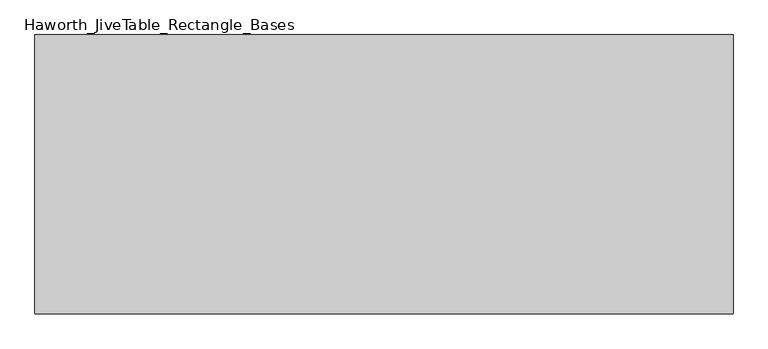
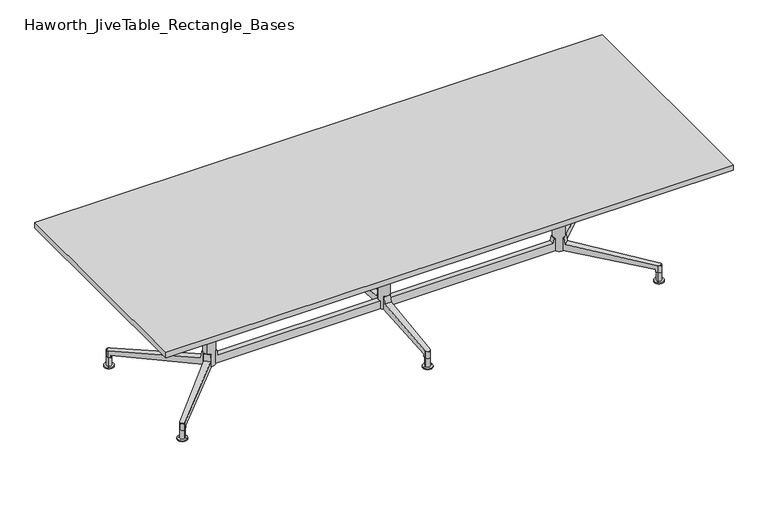
"""IFC4 building model written with IfcOpenShell, lengths in millimetres: furniture geometry, Haworth_JiveTable_Rectangle_Bases."""

from ifc_helpers import new_model, si_unit, point, frame, frame_2d, origin, place, context, project, spatial, polyline, circle_curve, ellipse_curve, trimmed, segment, composite_curve, outline, extrude, source, transform, mapped, element, save
from ifc_brep_helpers import plane_surface, cylinder_surface, revolved_surface, advanced_brep


def haworth_jivetable_rectangle_bases_7add0098(model_context):
    return source(origin(), model_context, "Body", "SolidModel", [
        advanced_brep(
        [(-16.7073957, -25.447928, 173.0375), (-16.6491532, -31.2005255, 173.0375), (16.6385777, -31.5633725, 173.0375), (16.7073957, -25.2499854, 173.0375), (16.7073957, -25.2499854, 101.0421222), (-16.7073957, -25.447928, 100.9940325), (16.5823841, -36.7186037, 136.3947533), (12.5508592, -406.5724065, 93.1247093), (12.5508592, -406.5724065, 55.5625), (12.6856306, -394.2084172, 55.5625), (12.6856306, -394.2084172, 69.4767965), (-12.8456761, -406.869043, 93.057626), (-12.8456761, -406.869043, 55.5625), (-12.9766914, -393.9286897, 69.4767965), (-12.9766914, -393.9286897, 55.5625), (-16.5969468, -36.3569384, 136.3947533)],
        [
            (0, 1),
            (1, 2),
            (2, 3),
            (3, 0, circle_curve(frame((-0.1491408, -0.1724065, 173.0375), z_axis=(0.0, 0.0, -1.0), x_axis=(0.0, -1.0, 0.0)), 30.2163497)),
            (3, 4),
            (4, 5, ellipse_curve(frame((-0.1491408, -0.1724065, 103.1715999), z_axis=(0.0009290457891332453, 0.08523105442928064, -0.996360780156864), x_axis=(-0.010860006437938038, -0.9963015931408336, -0.0852361177272004)), 30.3267153, 30.2163497)),
            (5, 0),
            (2, 6),
            (6, 7),
            (7, 8),
            (8, 9),
            (9, 10),
            (10, 4),
            (11, 12),
            (12, 8, circle_curve(frame((-0.1491408, -406.5724065, 55.5625), z_axis=(0.0, 0.0, 1.0), x_axis=(0.0, -1.0, 0.0)), 12.7)),
            (7, 11, ellipse_curve(frame((-0.1491408, -406.5724065, 93.1085155), z_axis=(0.0012664652459514001, 0.11618605839780673, -0.9932266588748826), x_axis=(0.010825845541627169, 0.9931676580356771, 0.11619296063117332)), 12.7866081, 12.7)),
            (5, 13),
            (13, 14),
            (14, 12),
            (11, 15),
            (15, 1),
            (6, 15),
            (10, 13),
            (9, 14),
        ],
        [
            plane_surface(frame((-0.1491408, -30.3887562, 173.0375), z_axis=(0.0, 0.0, 1.0), x_axis=(1.0, 0.0, 0.0))),
            revolved_surface(polyline([(-0.1491408, -30.3887562, 100.58666842440991), (-0.1491408, -30.3887562, 173.0375)]), (-0.1491408, -0.1724065, 30.1625), (0.0, 0.0, -1.0)),
            plane_surface(frame((16.7073957, -25.2499854, 173.0375), z_axis=(0.9999405968026749, -0.01089967274326892, 0.0), x_axis=(0.0, 0.0, -1.0))),
            cylinder_surface(frame((-0.1491408, -406.5724065, 30.1625), z_axis=(0.0, 0.0, 1.0), x_axis=(0.0, -1.0, 0.0)), 12.7),
            plane_surface(frame((-12.8456761, -406.869043, 173.0375), z_axis=(-0.9999487506184027, -0.010124037568851664, 0.0), x_axis=(0.0, 0.0, -1.0))),
            plane_surface(frame((-27.8751459, -437.8836362, 89.4104246), z_axis=(-0.0012664652459514001, -0.11618605839780673, 0.9932266588748826), x_axis=(0.9999405968026749, -0.010899672743269475, 0.0))),
            plane_surface(frame((-23.4975564, -36.2817196, 136.3947533), z_axis=(-0.010793364922149567, -0.9901878722393549, 0.13932509086218653), x_axis=(0.9999405968026749, -0.010899672743269475, 0.0))),
            plane_surface(frame((-23.0585847, 0.2735853, 103.1883894), z_axis=(0.0009290457891332453, 0.08523105442928064, -0.996360780156864), x_axis=(0.9999405968026749, -0.01089967274326903, 0.0))),
            plane_surface(frame((-27.3538075, -393.7719745, 69.4767965), z_axis=(0.01089967274326903, 0.9999405968026749, 0.0), x_axis=(0.9999405968026749, -0.01089967274326903, 0.0))),
            plane_surface(frame((-27.3538075, -393.7719745, 55.5625), z_axis=(0.0, 0.0, -1.0), x_axis=(0.9999405968026749, -0.01089967274326903, 0.0))),
        ],
        [
            (0, [[1, 2, 3, 4]]),
            (1, [[5, 6, 7, -4]]),
            (2, [[8, 9, 10, 11, 12, 13, -5, -3]]),
            (3, [[14, 15, -10, 16]]),
            (4, [[-7, 17, 18, 19, -14, 20, 21, -1]]),
            (5, [[-20, -16, -9, 22]]),
            (6, [[-8, -2, -21, -22]]),
            (7, [[-17, -6, -13, 23]]),
            (8, [[-12, 24, -18, -23]]),
            (9, [[-11, -15, -19, -24]]),
        ],
    ),
        advanced_brep(
        [(-16.7073957, 25.103115, 173.0375), (16.7073957, 24.9051725, 173.0375), (16.6385777, 31.2185595, 173.0375), (-16.6491532, 30.8557126, 173.0375), (-16.7073957, 25.103115, 100.9940325), (16.7073957, 24.9051725, 101.0421222), (12.6856306, 393.8636043, 69.4767965), (12.6856306, 393.8636043, 55.5625), (12.5508592, 406.2275935, 55.5625), (12.5508592, 406.2275935, 93.1247093), (16.5823841, 36.3737908, 136.3947533), (-12.8456761, 406.5242301, 93.057626), (-12.8456761, 406.5242301, 55.5625), (-16.5969468, 36.0121255, 136.3947533), (-12.9766914, 393.5838768, 55.5625), (-12.9766914, 393.5838768, 69.4767965)],
        [
            (0, 1, circle_curve(frame((-0.1491408, -0.1724065, 173.0375), z_axis=(0.0, 0.0, -1.0), x_axis=(0.0, 1.0, 0.0)), 30.2163497)),
            (1, 2),
            (2, 3),
            (3, 0),
            (0, 4),
            (4, 5, ellipse_curve(frame((-0.1491408, -0.1724065, 103.1715999), z_axis=(0.0009290457891426609, -0.08523105442928054, -0.996360780156864), x_axis=(-0.010860006438048103, 0.9963015931408323, -0.0852361177272004)), 30.3267153, 30.2163497)),
            (5, 1),
            (5, 6),
            (6, 7),
            (7, 8),
            (8, 9),
            (9, 10),
            (10, 2),
            (11, 9, ellipse_curve(frame((-0.1491408, 406.2275935, 93.1085155), z_axis=(0.0012664652459642423, -0.11618605839780663, -0.9932266588748825), x_axis=(0.010825845541736937, -0.9931676580356757, 0.11619296063117518)), 12.7866081, 12.7)),
            (8, 12, circle_curve(frame((-0.1491408, 406.2275935, 55.5625), z_axis=(0.0, 0.0, 1.0), x_axis=(0.0, 1.0, 0.0)), 12.7)),
            (12, 11),
            (3, 13),
            (13, 11),
            (12, 14),
            (14, 15),
            (15, 4),
            (13, 10),
            (15, 6),
            (14, 7),
        ],
        [
            plane_surface(frame((-0.1491408, 30.0439432, 173.0375), z_axis=(0.0, 0.0, 1.0), x_axis=(1.0, 0.0, 0.0))),
            revolved_surface(polyline([(-0.1491408, 30.043943199999998, 100.58666842440991), (-0.1491408, 30.043943199999998, 173.0375)]), (-0.1491408, -0.1724065, 30.1625), (0.0, 0.0, -1.0)),
            plane_surface(frame((16.7073957, 24.9051725, 173.0375), z_axis=(0.9999405968026737, 0.010899672743379331, 0.0), x_axis=(0.0, 0.0, -1.0))),
            cylinder_surface(frame((-0.1491408, 406.2275935, 30.1625), z_axis=(0.0, 0.0, 1.0), x_axis=(0.0, 1.0, 0.0)), 12.7),
            plane_surface(frame((-12.8456761, 406.5242301, 173.0375), z_axis=(-0.9999487506184038, 0.010124037568741086, 0.0), x_axis=(0.0, 0.0, -1.0))),
            plane_surface(frame((-27.8751459, 437.5388233, 89.4104246), z_axis=(-0.0012664652459642423, 0.11618605839780663, 0.9932266588748825), x_axis=(0.9999405968026737, 0.010899672743379996, 0.0))),
            plane_surface(frame((-23.4975564, 35.9369066, 136.3947533), z_axis=(-0.010793364922259008, 0.9901878722393537, 0.13932509086218653), x_axis=(0.9999405968026737, 0.010899672743379996, 0.0))),
            plane_surface(frame((-23.0585847, -0.6183982, 103.1883894), z_axis=(0.0009290457891426609, -0.08523105442928054, -0.996360780156864), x_axis=(0.9999405968026737, 0.010899672743379496, 0.0))),
            plane_surface(frame((-27.3538075, 393.4271616, 69.4767965), z_axis=(0.010899672743379496, -0.9999405968026737, 0.0), x_axis=(0.9999405968026737, 0.010899672743379496, 0.0))),
            plane_surface(frame((-27.3538075, 393.4271616, 55.5625), z_axis=(0.0, 0.0, -1.0), x_axis=(0.9999405968026737, 0.010899672743379496, 0.0))),
        ],
        [
            (0, [[1, 2, 3, 4]]),
            (1, [[-1, 5, 6, 7]]),
            (2, [[-2, -7, 8, 9, 10, 11, 12, 13]]),
            (3, [[14, -11, 15, 16]]),
            (4, [[-4, 17, 18, -16, 19, 20, 21, -5]]),
            (5, [[22, -12, -14, -18]]),
            (6, [[-22, -17, -3, -13]]),
            (7, [[23, -8, -6, -21]]),
            (8, [[-23, -20, 24, -9]]),
            (9, [[-24, -19, -15, -10]]),
        ],
    ),
        extrude(outline(composite_curve([segment(trimmed(circle_curve(frame_2d((-143.4622581, -143.353964)), 8.9802561), [point((-143.4622581, -152.3342201))], [point((-152.4425142, -143.353964))], False, "CARTESIAN"), True, "CONTINUOUS"), segment(polyline([(-152.4425142, -143.353964), (-152.4425142, 143.4855237)]), True, "CONTINUOUS"), segment(trimmed(circle_curve(frame_2d((-143.4622581, 143.4855237)), 8.9802561), [point((-152.4425142, 143.4855237))], [point((-143.4622581, 152.4657799))], False, "CARTESIAN"), True, "CONTINUOUS"), segment(polyline([(-143.4622581, 152.4657799), (143.3772296, 152.4657799)]), True, "CONTINUOUS"), segment(trimmed(circle_curve(frame_2d((143.3772296, 143.4855237)), 8.9802561), [point((143.3772296, 152.4657799))], [point((152.3574858, 143.4855237))], False, "CARTESIAN"), True, "CONTINUOUS"), segment(polyline([(152.3574858, 143.4855237), (152.3574858, -143.353964)]), True, "CONTINUOUS"), segment(trimmed(circle_curve(frame_2d((143.3772296, -143.353964)), 8.9802561), [point((152.3574858, -143.353964))], [point((143.3772296, -152.3342201))], False, "CARTESIAN"), True, "CONTINUOUS"), segment(polyline([(143.3772296, -152.3342201), (-143.4622581, -152.3342201)]), True, "CONTINUOUS")], self_intersect=False)), frame((0.0, 0.0, 700.0875), z_axis=(0.0, 0.0, 1.0), x_axis=(1.0, 0.0, 0.0)), (0.0, 0.0, 1.0), 6.35),
        advanced_brep(
        [(0.0, -406.4, 92.075), (-12.7, -406.4, 92.075), (12.7, -406.4, 92.075), (-25.4, -406.4, 0.0), (0.0, -406.4, 0.0), (25.4, -406.4, 0.0), (-25.4, -406.4, 4.7625), (25.4, -406.4, 4.7625), (-12.7, -406.4, 4.7625), (12.7, -406.4, 4.7625)],
        [
            (0, 1),
            (1, 2, circle_curve(frame((0.0, -406.4, 92.075), z_axis=(0.0, 0.0, 1.0), x_axis=(0.9999999999999998, 0.0, 0.0)), 12.7)),
            (2, 0),
            (2, 1, circle_curve(frame((0.0, -406.4, 92.075), z_axis=(0.0, 0.0, 1.0), x_axis=(0.9999999999999998, 0.0, 0.0)), 12.7)),
            (3, 4),
            (4, 5),
            (5, 3, circle_curve(frame((0.0, -406.4, 0.0), z_axis=(0.0, 0.0, -1.0), x_axis=(0.9999999999999998, 0.0, 0.0)), 25.4)),
            (3, 5, circle_curve(frame((0.0, -406.4, 0.0), z_axis=(0.0, 0.0, -1.0), x_axis=(0.9999999999999998, 0.0, 0.0)), 25.4)),
            (6, 3),
            (5, 7),
            (7, 6, circle_curve(frame((0.0, -406.4, 4.7625), z_axis=(0.0, 0.0, -1.0), x_axis=(0.9999999999999998, 0.0, 0.0)), 25.4)),
            (6, 7, circle_curve(frame((0.0, -406.4, 4.7625), z_axis=(0.0, 0.0, -1.0), x_axis=(0.9999999999999998, 0.0, 0.0)), 25.4)),
            (8, 6),
            (7, 9),
            (9, 8, circle_curve(frame((0.0, -406.4, 4.7625), z_axis=(0.0, 0.0, -1.0), x_axis=(0.9999999999999998, 0.0, 0.0)), 12.7)),
            (8, 9, circle_curve(frame((0.0, -406.4, 4.7625), z_axis=(0.0, 0.0, -1.0), x_axis=(0.9999999999999998, 0.0, 0.0)), 12.7)),
            (1, 8),
            (9, 2),
        ],
        [
            plane_surface(frame((0.0, -406.4, 92.075), z_axis=(0.0, 0.0, 1.0), x_axis=(1.0, 0.0, 0.0))),
            plane_surface(frame((0.0, -406.4, 0.0), z_axis=(0.0, 0.0, -1.0), x_axis=(1.0, 0.0, 0.0))),
            cylinder_surface(frame((0.0, -406.4, 106.1427212), z_axis=(0.0, 0.0, 1.0), x_axis=(0.9999999999999998, 0.0, 0.0)), 25.4),
            plane_surface(frame((0.0, -406.4, 4.7625), z_axis=(0.0, 0.0, 1.0), x_axis=(1.0, 0.0, 0.0))),
            cylinder_surface(frame((0.0, -406.4, 106.1427212), z_axis=(0.0, 0.0, 1.0), x_axis=(0.9999999999999998, 0.0, 0.0)), 12.7),
        ],
        [
            (0, [[1, 2, 3]]),
            (0, [[-3, 4, -1]]),
            (1, [[5, 6, 7]]),
            (1, [[-6, -5, 8]]),
            (2, [[9, -7, 10, 11]]),
            (2, [[-10, -8, -9, 12]]),
            (3, [[13, -11, 14, 15]]),
            (3, [[-14, -12, -13, 16]]),
            (4, [[17, -15, 18, -2]]),
            (4, [[-18, -16, -17, -4]]),
        ],
    ),
        advanced_brep(
        [(-12.7, 406.4, 92.075), (0.0, 406.4, 92.075), (12.7, 406.4, 92.075), (0.0, 406.4, 0.0), (-25.4, 406.4, 0.0), (25.4, 406.4, 0.0), (-25.4, 406.4, 4.7625), (25.4, 406.4, 4.7625), (-12.7, 406.4, 4.7625), (12.7, 406.4, 4.7625)],
        [
            (0, 1),
            (1, 2),
            (2, 0, circle_curve(frame((0.0, 406.4, 92.075), z_axis=(0.0, 0.0, 1.0), x_axis=(0.9999999999999998, 0.0, 0.0)), 12.7)),
            (0, 2, circle_curve(frame((0.0, 406.4, 92.075), z_axis=(0.0, 0.0, 1.0), x_axis=(0.9999999999999998, 0.0, 0.0)), 12.7)),
            (3, 4),
            (4, 5, circle_curve(frame((0.0, 406.4, 0.0), z_axis=(0.0, 0.0, -1.0), x_axis=(0.9999999999999998, 0.0, 0.0)), 25.4)),
            (5, 3),
            (5, 4, circle_curve(frame((0.0, 406.4, 0.0), z_axis=(0.0, 0.0, -1.0), x_axis=(0.9999999999999998, 0.0, 0.0)), 25.4)),
            (4, 6),
            (6, 7, circle_curve(frame((0.0, 406.4, 4.7625), z_axis=(0.0, 0.0, -1.0), x_axis=(0.9999999999999998, 0.0, 0.0)), 25.4)),
            (7, 5),
            (7, 6, circle_curve(frame((0.0, 406.4, 4.7625), z_axis=(0.0, 0.0, -1.0), x_axis=(0.9999999999999998, 0.0, 0.0)), 25.4)),
            (6, 8),
            (8, 9, circle_curve(frame((0.0, 406.4, 4.7625), z_axis=(0.0, 0.0, -1.0), x_axis=(0.9999999999999998, 0.0, 0.0)), 12.7)),
            (9, 7),
            (9, 8, circle_curve(frame((0.0, 406.4, 4.7625), z_axis=(0.0, 0.0, -1.0), x_axis=(0.9999999999999998, 0.0, 0.0)), 12.7)),
            (8, 0),
            (2, 9),
        ],
        [
            plane_surface(frame((0.0, 406.4, 92.075), z_axis=(0.0, 0.0, 1.0), x_axis=(1.0, 0.0, 0.0))),
            plane_surface(frame((0.0, 406.4, 0.0), z_axis=(0.0, 0.0, -1.0), x_axis=(1.0, 0.0, 0.0))),
            cylinder_surface(frame((0.0, 406.4, 106.1427212), z_axis=(0.0, 0.0, -1.0), x_axis=(0.9999999999999998, 0.0, 0.0)), 25.4),
            plane_surface(frame((0.0, 406.4, 4.7625), z_axis=(0.0, 0.0, 1.0), x_axis=(1.0, 0.0, 0.0))),
            cylinder_surface(frame((0.0, 406.4, 106.1427212), z_axis=(0.0, 0.0, -1.0), x_axis=(0.9999999999999998, 0.0, 0.0)), 12.7),
        ],
        [
            (0, [[1, 2, 3]]),
            (0, [[-2, -1, 4]]),
            (1, [[5, 6, 7]]),
            (1, [[-7, 8, -5]]),
            (2, [[9, 10, 11, -6]]),
            (2, [[-11, 12, -9, -8]]),
            (3, [[13, 14, 15, -10]]),
            (3, [[-15, 16, -13, -12]]),
            (4, [[17, -3, 18, -14]]),
            (4, [[-18, -4, -17, -16]]),
        ],
    ),
        extrude(outline(composite_curve([segment(trimmed(circle_curve(frame_2d((0.0232656, 0.0)), 29.972), [point((29.9952656, 0.0))], [point((-29.9487344, 0.0))], False, "CARTESIAN"), True, "CONTINUOUS"), segment(trimmed(circle_curve(frame_2d((0.0232656, 0.0)), 29.972), [point((-29.9487344, 0.0))], [point((29.9952656, 0.0))], False, "CARTESIAN"), True, "CONTINUOUS")], self_intersect=False)), frame((0.0, 0.0, 100.8404831), z_axis=(0.0, 0.0, 1.0), x_axis=(1.0, 0.0, 0.0)), (0.0, 0.0, 1.0), 599.2470169),
        advanced_brep(
        [(945.7202188, -29.5809469, 173.0375), (949.8652859, -33.6566416, 173.0375), (973.6318398, -10.3180324, 173.0375), (969.2080779, -5.8131549, 173.0375), (969.2080779, -5.8131549, 101.3898781), (945.7202188, -29.5809469, 101.353928), (977.2440872, -13.9965153, 136.3947533), (1289.7861692, -332.2694765, 92.5324082), (1289.7861692, -332.2694765, 55.5625), (1281.1227774, -323.4472298, 55.5625), (1281.1227774, -323.4472298, 69.4767965), (1272.0378606, -350.4372925, 92.4805548), (1272.0378606, -350.4372925, 55.5625), (1262.8437836, -341.3970888, 69.4767965), (1262.8437836, -341.3970888, 55.5625), (953.5419984, -37.2718201, 136.3947533)],
        [
            (0, 1),
            (1, 2),
            (2, 3),
            (3, 0, circle_curve(frame((939.5561804, 0.0, 173.0375), z_axis=(0.0, 0.0, -1.0), x_axis=(0.7071067811865482, -0.707106781186547, 0.0)), 30.2163497)),
            (3, 4),
            (4, 5, ellipse_curve(frame((939.5561804, 0.0, 103.1765463), z_axis=(-0.05009875391528477, 0.05101738192364947, -0.9974403950100438), x_axis=(0.6988604897535892, -0.7116750364170193, -0.07150285590246004)), 30.2938901, 30.2163497)),
            (5, 0),
            (2, 6),
            (6, 7),
            (7, 8),
            (8, 9),
            (9, 10),
            (10, 4),
            (11, 12),
            (12, 8, circle_curve(frame((1280.805913, -341.2497326, 55.5625), z_axis=(0.0, 0.0, 1.0), x_axis=(0.7071067811865482, -0.707106781186547, 0.0)), 12.7)),
            (7, 11, ellipse_curve(frame((1280.805913, -341.2497326, 92.5210635), z_axis=(-0.06856475752269778, 0.06982198453384451, -0.9952003639979284), x_axis=(-0.6972910033180866, 0.7100767713376249, 0.09785824185213349)), 12.7612494, 12.7)),
            (5, 13),
            (13, 14),
            (14, 12),
            (11, 15),
            (15, 1),
            (6, 15),
            (10, 13),
            (9, 14),
        ],
        [
            plane_surface(frame((960.9223662, -21.3661858, 173.0375), z_axis=(0.0, 0.0, 1.0000000000000002), x_axis=(0.707106781186547, 0.7071067811865482, 0.0))),
            revolved_surface(polyline([(960.9223661755741, -21.366185775574085, 101.01044664145473), (960.9223661755741, -21.366185775574085, 173.0375)]), (939.5561804, 0.0, 30.1625), (0.0, 0.0, -1.0)),
            plane_surface(frame((969.2080779, -5.8131549, 173.0375), z_axis=(0.7135013179507863, 0.7006538869388302, 0.0), x_axis=(0.0, 0.0, -1.0))),
            cylinder_surface(frame((1280.805913, -341.2497326, 30.1625), z_axis=(0.0, 0.0, 1.0), x_axis=(0.7071067811865482, -0.707106781186547, 0.0)), 12.7),
            plane_surface(frame((1272.0378606, -350.4372925, 173.0375), z_axis=(-0.7011147678531081, -0.7130484431637745, 0.0), x_axis=(0.0, 0.0, -1.0))),
            plane_surface(frame((1283.4331409, -383.0069777, 89.4104246), z_axis=(0.06856475752269779, -0.06982198453384453, 0.9952003639979287), x_axis=(0.713501317950787, 0.7006538869388296, 0.0))),
            plane_surface(frame((948.645298, -42.0803496, 136.3947533), z_axis=(0.6938201966222414, -0.7065423227346812, 0.13932509086218564), x_axis=(0.713501317950787, 0.7006538869388296, 0.0))),
            plane_surface(frame((923.0597508, -15.9678471, 103.1883894), z_axis=(-0.05009875391528478, 0.051017381923649484, -0.997440395010044), x_axis=(0.7135013179507865, 0.70065388693883, 0.0))),
            plane_surface(frame((1252.5528884, -351.5026843, 69.4767965), z_axis=(-0.70065388693883, 0.7135013179507864, 0.0), x_axis=(0.7135013179507864, 0.70065388693883, 0.0))),
            plane_surface(frame((1252.5528884, -351.5026843, 55.5625), z_axis=(0.0, 0.0, -1.0000000000000002), x_axis=(0.7135013179507865, 0.70065388693883, 0.0))),
        ],
        [
            (0, [[1, 2, 3, 4]]),
            (1, [[5, 6, 7, -4]]),
            (2, [[8, 9, 10, 11, 12, 13, -5, -3]]),
            (3, [[14, 15, -10, 16]]),
            (4, [[-7, 17, 18, 19, -14, 20, 21, -1]]),
            (5, [[-20, -16, -9, 22]]),
            (6, [[-8, -2, -21, -22]]),
            (7, [[-17, -6, -13, 23]]),
            (8, [[-12, 24, -18, -23]]),
            (9, [[-11, -15, -19, -24]]),
        ],
    ),
        advanced_brep(
        [(945.7202188, 29.5809469, 173.0375), (969.2080779, 5.8131549, 173.0375), (973.6318398, 10.3180324, 173.0375), (949.8652859, 33.6566416, 173.0375), (945.7202188, 29.5809469, 101.353928), (969.2080779, 5.8131549, 101.3898781), (1281.1227774, 323.4472298, 69.4767965), (1281.1227774, 323.4472298, 55.5625), (1289.7861692, 332.2694765, 55.5625), (1289.7861692, 332.2694765, 92.5324082), (977.2440872, 13.9965153, 136.3947533), (1272.0378606, 350.4372925, 92.4805548), (1272.0378606, 350.4372925, 55.5625), (953.5419984, 37.2718201, 136.3947533), (1262.8437836, 341.3970888, 55.5625), (1262.8437836, 341.3970888, 69.4767965)],
        [
            (0, 1, circle_curve(frame((939.5561804, 0.0, 173.0375), z_axis=(0.0, 0.0, -1.0), x_axis=(0.7071067811865482, 0.707106781186547, 0.0)), 30.2163497)),
            (1, 2),
            (2, 3),
            (3, 0),
            (0, 4),
            (4, 5, ellipse_curve(frame((939.5561804, 0.0, 103.1765463), z_axis=(-0.05009875391528477, -0.05101738192364947, -0.9974403950100438), x_axis=(0.6988604897535892, 0.7116750364170193, -0.07150285590246004)), 30.2938901, 30.2163497)),
            (5, 1),
            (5, 6),
            (6, 7),
            (7, 8),
            (8, 9),
            (9, 10),
            (10, 2),
            (11, 9, ellipse_curve(frame((1280.805913, 341.2497326, 92.5210635), z_axis=(-0.06856475752269778, -0.06982198453384451, -0.9952003639979284), x_axis=(-0.6972910033180866, -0.7100767713376249, 0.09785824185213349)), 12.7612494, 12.7)),
            (8, 12, circle_curve(frame((1280.805913, 341.2497326, 55.5625), z_axis=(0.0, 0.0, 1.0), x_axis=(0.7071067811865482, 0.707106781186547, 0.0)), 12.7)),
            (12, 11),
            (3, 13),
            (13, 11),
            (12, 14),
            (14, 15),
            (15, 4),
            (13, 10),
            (15, 6),
            (14, 7),
        ],
        [
            plane_surface(frame((960.9223662, 21.3661858, 173.0375), z_axis=(0.0, 0.0, 1.0000000000000002), x_axis=(0.707106781186547, -0.7071067811865482, 0.0))),
            revolved_surface(polyline([(960.9223661755741, 21.366185775574085, 101.01044664145473), (960.9223661755741, 21.366185775574085, 173.0375)]), (939.5561804, 0.0, 30.1625), (0.0, 0.0, -1.0)),
            plane_surface(frame((969.2080779, 5.8131549, 173.0375), z_axis=(0.7135013179507863, -0.7006538869388302, 0.0), x_axis=(0.0, 0.0, -1.0))),
            cylinder_surface(frame((1280.805913, 341.2497326, 30.1625), z_axis=(0.0, 0.0, 1.0), x_axis=(0.7071067811865482, 0.707106781186547, 0.0)), 12.7),
            plane_surface(frame((1272.0378606, 350.4372925, 173.0375), z_axis=(-0.7011147678531081, 0.7130484431637745, 0.0), x_axis=(0.0, 0.0, -1.0))),
            plane_surface(frame((1283.4331409, 383.0069777, 89.4104246), z_axis=(0.06856475752269779, 0.06982198453384453, 0.9952003639979287), x_axis=(0.713501317950787, -0.7006538869388296, 0.0))),
            plane_surface(frame((948.645298, 42.0803496, 136.3947533), z_axis=(0.6938201966222414, 0.7065423227346812, 0.13932509086218564), x_axis=(0.713501317950787, -0.7006538869388296, 0.0))),
            plane_surface(frame((923.0597508, 15.9678471, 103.1883894), z_axis=(-0.05009875391528478, -0.051017381923649484, -0.997440395010044), x_axis=(0.7135013179507865, -0.70065388693883, 0.0))),
            plane_surface(frame((1252.5528884, 351.5026843, 69.4767965), z_axis=(-0.70065388693883, -0.7135013179507864, 0.0), x_axis=(0.7135013179507864, -0.70065388693883, 0.0))),
            plane_surface(frame((1252.5528884, 351.5026843, 55.5625), z_axis=(0.0, 0.0, -1.0000000000000002), x_axis=(0.7135013179507865, -0.70065388693883, 0.0))),
        ],
        [
            (0, [[1, 2, 3, 4]]),
            (1, [[-1, 5, 6, 7]]),
            (2, [[-2, -7, 8, 9, 10, 11, 12, 13]]),
            (3, [[14, -11, 15, 16]]),
            (4, [[-4, 17, 18, -16, 19, 20, 21, -5]]),
            (5, [[22, -12, -14, -18]]),
            (6, [[-22, -17, -3, -13]]),
            (7, [[23, -8, -6, -21]]),
            (8, [[-23, -20, 24, -9]]),
            (9, [[-24, -19, -15, -10]]),
        ],
    ),
        advanced_brep(
        [(1280.9113715, -341.1442741, 92.075), (1271.9311154, -350.1245302, 92.075), (1289.8916277, -332.164018, 92.075), (1262.9508593, -359.1047863, 0.0), (1280.9113715, -341.1442741, 0.0), (1298.8718838, -323.1837619, 0.0), (1262.9508593, -359.1047863, 4.7625), (1298.8718838, -323.1837619, 4.7625), (1271.9311154, -350.1245302, 4.7625), (1289.8916277, -332.164018, 4.7625)],
        [
            (0, 1),
            (1, 2, circle_curve(frame((1280.9113715, -341.1442741, 92.075), z_axis=(0.0, 0.0, 1.0), x_axis=(0.7071067811867184, 0.7071067811863766, 0.0)), 12.7)),
            (2, 0),
            (2, 1, circle_curve(frame((1280.9113715, -341.1442741, 92.075), z_axis=(0.0, 0.0, 1.0), x_axis=(0.7071067811867184, 0.7071067811863766, 0.0)), 12.7)),
            (3, 4),
            (4, 5),
            (5, 3, circle_curve(frame((1280.9113715, -341.1442741, 0.0), z_axis=(0.0, 0.0, -1.0), x_axis=(0.7071067811867184, 0.7071067811863766, 0.0)), 25.4)),
            (3, 5, circle_curve(frame((1280.9113715, -341.1442741, 0.0), z_axis=(0.0, 0.0, -1.0), x_axis=(0.7071067811867184, 0.7071067811863766, 0.0)), 25.4)),
            (6, 3),
            (5, 7),
            (7, 6, circle_curve(frame((1280.9113715, -341.1442741, 4.7625), z_axis=(0.0, 0.0, -1.0), x_axis=(0.7071067811867184, 0.7071067811863766, 0.0)), 25.4)),
            (6, 7, circle_curve(frame((1280.9113715, -341.1442741, 4.7625), z_axis=(0.0, 0.0, -1.0), x_axis=(0.7071067811867184, 0.7071067811863766, 0.0)), 25.4)),
            (8, 6),
            (7, 9),
            (9, 8, circle_curve(frame((1280.9113715, -341.1442741, 4.7625), z_axis=(0.0, 0.0, -1.0), x_axis=(0.7071067811867184, 0.7071067811863766, 0.0)), 12.7)),
            (8, 9, circle_curve(frame((1280.9113715, -341.1442741, 4.7625), z_axis=(0.0, 0.0, -1.0), x_axis=(0.7071067811867184, 0.7071067811863766, 0.0)), 12.7)),
            (1, 8),
            (9, 2),
        ],
        [
            plane_surface(frame((1280.9113715, -341.1442741, 92.075), z_axis=(0.0, 0.0, 1.0), x_axis=(0.7071067811867184, 0.7071067811863766, 0.0))),
            plane_surface(frame((1280.9113715, -341.1442741, 0.0), z_axis=(0.0, 0.0, -1.0), x_axis=(0.7071067811867184, 0.7071067811863766, 0.0))),
            cylinder_surface(frame((1280.9113715, -341.1442741, 106.1427212), z_axis=(0.0, 0.0, 1.0), x_axis=(0.7071067811867184, 0.7071067811863766, 0.0)), 25.4),
            plane_surface(frame((1280.9113715, -341.1442741, 4.7625), z_axis=(0.0, 0.0, 1.0), x_axis=(0.7071067811867184, 0.7071067811863766, 0.0))),
            cylinder_surface(frame((1280.9113715, -341.1442741, 106.1427212), z_axis=(0.0, 0.0, 1.0), x_axis=(0.7071067811867184, 0.7071067811863766, 0.0)), 12.7),
        ],
        [
            (0, [[1, 2, 3]]),
            (0, [[-3, 4, -1]]),
            (1, [[5, 6, 7]]),
            (1, [[-6, -5, 8]]),
            (2, [[9, -7, 10, 11]]),
            (2, [[-10, -8, -9, 12]]),
            (3, [[13, -11, 14, 15]]),
            (3, [[-14, -12, -13, 16]]),
            (4, [[17, -15, 18, -2]]),
            (4, [[-18, -16, -17, -4]]),
        ],
    ),
        advanced_brep(
        [(1272.0530252, 350.24644, 92.075), (1281.0332813, 341.2661839, 92.075), (1290.0135374, 332.2859278, 92.075), (1281.0332813, 341.2661839, 0.0), (1263.0727691, 359.2266961, 0.0), (1298.9937936, 323.3056716, 0.0), (1263.0727691, 359.2266961, 4.7625), (1298.9937936, 323.3056716, 4.7625), (1272.0530252, 350.24644, 4.7625), (1290.0135374, 332.2859278, 4.7625)],
        [
            (0, 1),
            (1, 2),
            (2, 0, circle_curve(frame((1281.0332813, 341.2661839, 92.075), z_axis=(0.0, 0.0, 1.0), x_axis=(0.7071067811867184, -0.7071067811863766, 0.0)), 12.7)),
            (0, 2, circle_curve(frame((1281.0332813, 341.2661839, 92.075), z_axis=(0.0, 0.0, 1.0), x_axis=(0.7071067811867184, -0.7071067811863766, 0.0)), 12.7)),
            (3, 4),
            (4, 5, circle_curve(frame((1281.0332813, 341.2661839, 0.0), z_axis=(0.0, 0.0, -1.0), x_axis=(0.7071067811867184, -0.7071067811863766, 0.0)), 25.4)),
            (5, 3),
            (5, 4, circle_curve(frame((1281.0332813, 341.2661839, 0.0), z_axis=(0.0, 0.0, -1.0), x_axis=(0.7071067811867184, -0.7071067811863766, 0.0)), 25.4)),
            (4, 6),
            (6, 7, circle_curve(frame((1281.0332813, 341.2661839, 4.7625), z_axis=(0.0, 0.0, -1.0), x_axis=(0.7071067811867184, -0.7071067811863766, 0.0)), 25.4)),
            (7, 5),
            (7, 6, circle_curve(frame((1281.0332813, 341.2661839, 4.7625), z_axis=(0.0, 0.0, -1.0), x_axis=(0.7071067811867184, -0.7071067811863766, 0.0)), 25.4)),
            (6, 8),
            (8, 9, circle_curve(frame((1281.0332813, 341.2661839, 4.7625), z_axis=(0.0, 0.0, -1.0), x_axis=(0.7071067811867184, -0.7071067811863766, 0.0)), 12.7)),
            (9, 7),
            (9, 8, circle_curve(frame((1281.0332813, 341.2661839, 4.7625), z_axis=(0.0, 0.0, -1.0), x_axis=(0.7071067811867184, -0.7071067811863766, 0.0)), 12.7)),
            (8, 0),
            (2, 9),
        ],
        [
            plane_surface(frame((1281.0332813, 341.2661839, 92.075), z_axis=(0.0, 0.0, 1.0), x_axis=(0.7071067811867184, -0.7071067811863766, 0.0))),
            plane_surface(frame((1281.0332813, 341.2661839, 0.0), z_axis=(0.0, 0.0, -1.0), x_axis=(0.7071067811867184, -0.7071067811863766, 0.0))),
            cylinder_surface(frame((1281.0332813, 341.2661839, 106.1427212), z_axis=(0.0, 0.0, -1.0), x_axis=(0.7071067811867184, -0.7071067811863766, 0.0)), 25.4),
            plane_surface(frame((1281.0332813, 341.2661839, 4.7625), z_axis=(0.0, 0.0, 1.0), x_axis=(0.7071067811867184, -0.7071067811863766, 0.0))),
            cylinder_surface(frame((1281.0332813, 341.2661839, 106.1427212), z_axis=(0.0, 0.0, -1.0), x_axis=(0.7071067811867184, -0.7071067811863766, 0.0)), 12.7),
        ],
        [
            (0, [[1, 2, 3]]),
            (0, [[-2, -1, 4]]),
            (1, [[5, 6, 7]]),
            (1, [[-7, 8, -5]]),
            (2, [[9, 10, 11, -6]]),
            (2, [[-11, 12, -9, -8]]),
            (3, [[13, 14, 15, -10]]),
            (3, [[-15, 16, -13, -12]]),
            (4, [[17, -3, 18, -14]]),
            (4, [[-18, -4, -17, -16]]),
        ],
    ),
        extrude(outline(composite_curve([segment(trimmed(circle_curve(frame_2d((939.8, 0.0)), 29.972), [point((960.9934044, -21.1934044))], [point((918.6065956, 21.1934044))], False, "CARTESIAN"), True, "CONTINUOUS"), segment(trimmed(circle_curve(frame_2d((939.8, 0.0)), 29.972), [point((918.6065956, 21.1934044))], [point((960.9934044, -21.1934044))], False, "CARTESIAN"), True, "CONTINUOUS")], self_intersect=False)), frame((0.0, 0.0, 100.8404831), z_axis=(0.0, 0.0, 1.0), x_axis=(1.0, 0.0, 0.0)), (0.0, 0.0, 1.0), 599.2470169),
        extrude(outline(composite_curve([segment(trimmed(circle_curve(frame_2d((796.3802561, -143.4197439)), 8.9802561), [point((796.3802561, -152.4))], [point((787.4, -143.4197439))], False, "CARTESIAN"), True, "CONTINUOUS"), segment(polyline([(787.4, -143.4197439), (787.4, 143.4197439)]), True, "CONTINUOUS"), segment(trimmed(circle_curve(frame_2d((796.3802561, 143.4197439)), 8.9802561), [point((787.4, 143.4197439))], [point((796.3802561, 152.4))], False, "CARTESIAN"), True, "CONTINUOUS"), segment(polyline([(796.3802561, 152.4), (1083.2197439, 152.4)]), True, "CONTINUOUS"), segment(trimmed(circle_curve(frame_2d((1083.2197439, 143.4197439)), 8.9802561), [point((1083.2197439, 152.4))], [point((1092.2, 143.4197439))], False, "CARTESIAN"), True, "CONTINUOUS"), segment(polyline([(1092.2, 143.4197439), (1092.2, -143.4197439)]), True, "CONTINUOUS"), segment(trimmed(circle_curve(frame_2d((1083.2197439, -143.4197439)), 8.9802561), [point((1092.2, -143.4197439))], [point((1083.2197439, -152.4))], False, "CARTESIAN"), True, "CONTINUOUS"), segment(polyline([(1083.2197439, -152.4), (796.3802561, -152.4)]), True, "CONTINUOUS")], self_intersect=False)), frame((0.0, 0.0, 700.0875), z_axis=(0.0, 0.0, 1.0), x_axis=(1.0, 0.0, 0.0)), (0.0, 0.0, 1.0), 6.35),
        extrude(outline(polyline([(100.8404831, 914.4), (173.0375, 914.4), (173.0375, 906.423679), (144.9419311, 902.0031861), (144.9419311, -902.0031861), (173.0375, -906.423679), (173.0375, -914.4), (100.8404831, -914.4), (100.8404831, 914.4)])), frame((0.0, -14.0795819, 0.0), z_axis=(0.0, 1.0, 0.0), x_axis=(0.0, 0.0, 1.0)), (0.0, 0.0, 1.0), 28.7238281),
        advanced_brep(
        [(-945.7202188, -29.5809469, 173.0375), (-969.2080779, -5.8131549, 173.0375), (-973.6318398, -10.3180324, 173.0375), (-949.8652859, -33.6566416, 173.0375), (-945.7202188, -29.5809469, 101.353928), (-969.2080779, -5.8131549, 101.3898781), (-1281.1227774, -323.4472298, 69.4767965), (-1281.1227774, -323.4472298, 55.5625), (-1289.7861692, -332.2694765, 55.5625), (-1289.7861692, -332.2694765, 92.5324082), (-977.2440872, -13.9965153, 136.3947533), (-1272.0378606, -350.4372925, 92.4805548), (-1272.0378606, -350.4372925, 55.5625), (-953.5419984, -37.2718201, 136.3947533), (-1262.8437836, -341.3970888, 55.5625), (-1262.8437836, -341.3970888, 69.4767965)],
        [
            (0, 1, circle_curve(frame((-939.5561804, 0.0, 173.0375), z_axis=(0.0, 0.0, -1.0), x_axis=(-0.7071067811865482, -0.707106781186547, 0.0)), 30.2163497)),
            (1, 2),
            (2, 3),
            (3, 0),
            (0, 4),
            (4, 5, ellipse_curve(frame((-939.5561804, 0.0, 103.1765463), z_axis=(0.05009875391528477, 0.05101738192364947, -0.9974403950100438), x_axis=(-0.6988604897535892, -0.7116750364170193, -0.07150285590246004)), 30.2938901, 30.2163497)),
            (5, 1),
            (5, 6),
            (6, 7),
            (7, 8),
            (8, 9),
            (9, 10),
            (10, 2),
            (11, 9, ellipse_curve(frame((-1280.805913, -341.2497326, 92.5210635), z_axis=(0.06856475752269778, 0.06982198453384451, -0.9952003639979284), x_axis=(0.6972910033180866, 0.7100767713376249, 0.09785824185213349)), 12.7612494, 12.7)),
            (8, 12, circle_curve(frame((-1280.805913, -341.2497326, 55.5625), z_axis=(0.0, 0.0, 1.0), x_axis=(-0.7071067811865482, -0.707106781186547, 0.0)), 12.7)),
            (12, 11),
            (3, 13),
            (13, 11),
            (12, 14),
            (14, 15),
            (15, 4),
            (13, 10),
            (15, 6),
            (14, 7),
        ],
        [
            plane_surface(frame((-960.9223662, -21.3661858, 173.0375), z_axis=(0.0, 0.0, 1.0000000000000002), x_axis=(-0.707106781186547, 0.7071067811865482, 0.0))),
            revolved_surface(polyline([(-960.9223661755741, -21.366185775574085, 101.01044664145473), (-960.9223661755741, -21.366185775574085, 173.0375)]), (-939.5561804, 0.0, 30.1625), (0.0, 0.0, -1.0)),
            plane_surface(frame((-969.2080779, -5.8131549, 173.0375), z_axis=(-0.7135013179507863, 0.7006538869388302, 0.0), x_axis=(0.0, 0.0, -1.0))),
            cylinder_surface(frame((-1280.805913, -341.2497326, 30.1625), z_axis=(0.0, 0.0, 1.0), x_axis=(-0.7071067811865482, -0.707106781186547, 0.0)), 12.7),
            plane_surface(frame((-1272.0378606, -350.4372925, 173.0375), z_axis=(0.7011147678531081, -0.7130484431637745, 0.0), x_axis=(0.0, 0.0, -1.0))),
            plane_surface(frame((-1283.4331409, -383.0069777, 89.4104246), z_axis=(-0.06856475752269779, -0.06982198453384453, 0.9952003639979287), x_axis=(-0.713501317950787, 0.7006538869388296, 0.0))),
            plane_surface(frame((-948.645298, -42.0803496, 136.3947533), z_axis=(-0.6938201966222414, -0.7065423227346812, 0.13932509086218564), x_axis=(-0.713501317950787, 0.7006538869388296, 0.0))),
            plane_surface(frame((-923.0597508, -15.9678471, 103.1883894), z_axis=(0.05009875391528478, 0.051017381923649484, -0.997440395010044), x_axis=(-0.7135013179507865, 0.70065388693883, 0.0))),
            plane_surface(frame((-1252.5528884, -351.5026843, 69.4767965), z_axis=(0.70065388693883, 0.7135013179507864, 0.0), x_axis=(-0.7135013179507864, 0.70065388693883, 0.0))),
            plane_surface(frame((-1252.5528884, -351.5026843, 55.5625), z_axis=(0.0, 0.0, -1.0000000000000002), x_axis=(-0.7135013179507865, 0.70065388693883, 0.0))),
        ],
        [
            (0, [[1, 2, 3, 4]]),
            (1, [[-1, 5, 6, 7]]),
            (2, [[-2, -7, 8, 9, 10, 11, 12, 13]]),
            (3, [[14, -11, 15, 16]]),
            (4, [[-4, 17, 18, -16, 19, 20, 21, -5]]),
            (5, [[22, -12, -14, -18]]),
            (6, [[-22, -17, -3, -13]]),
            (7, [[23, -8, -6, -21]]),
            (8, [[-23, -20, 24, -9]]),
            (9, [[-24, -19, -15, -10]]),
        ],
    ),
        advanced_brep(
        [(-945.7202188, 29.5809469, 173.0375), (-949.8652859, 33.6566416, 173.0375), (-973.6318398, 10.3180324, 173.0375), (-969.2080779, 5.8131549, 173.0375), (-969.2080779, 5.8131549, 101.3898781), (-945.7202188, 29.5809469, 101.353928), (-977.2440872, 13.9965153, 136.3947533), (-1289.7861692, 332.2694765, 92.5324082), (-1289.7861692, 332.2694765, 55.5625), (-1281.1227774, 323.4472298, 55.5625), (-1281.1227774, 323.4472298, 69.4767965), (-1272.0378606, 350.4372925, 92.4805548), (-1272.0378606, 350.4372925, 55.5625), (-1262.8437836, 341.3970888, 69.4767965), (-1262.8437836, 341.3970888, 55.5625), (-953.5419984, 37.2718201, 136.3947533)],
        [
            (0, 1),
            (1, 2),
            (2, 3),
            (3, 0, circle_curve(frame((-939.5561804, 0.0, 173.0375), z_axis=(0.0, 0.0, -1.0), x_axis=(-0.7071067811865482, 0.707106781186547, 0.0)), 30.2163497)),
            (3, 4),
            (4, 5, ellipse_curve(frame((-939.5561804, 0.0, 103.1765463), z_axis=(0.05009875391528477, -0.05101738192364947, -0.9974403950100438), x_axis=(-0.6988604897535892, 0.7116750364170193, -0.07150285590246004)), 30.2938901, 30.2163497)),
            (5, 0),
            (2, 6),
            (6, 7),
            (7, 8),
            (8, 9),
            (9, 10),
            (10, 4),
            (11, 12),
            (12, 8, circle_curve(frame((-1280.805913, 341.2497326, 55.5625), z_axis=(0.0, 0.0, 1.0), x_axis=(-0.7071067811865482, 0.707106781186547, 0.0)), 12.7)),
            (7, 11, ellipse_curve(frame((-1280.805913, 341.2497326, 92.5210635), z_axis=(0.06856475752269778, -0.06982198453384451, -0.9952003639979284), x_axis=(0.6972910033180866, -0.7100767713376249, 0.09785824185213349)), 12.7612494, 12.7)),
            (5, 13),
            (13, 14),
            (14, 12),
            (11, 15),
            (15, 1),
            (6, 15),
            (10, 13),
            (9, 14),
        ],
        [
            plane_surface(frame((-960.9223662, 21.3661858, 173.0375), z_axis=(0.0, 0.0, 1.0000000000000002), x_axis=(-0.707106781186547, -0.7071067811865482, 0.0))),
            revolved_surface(polyline([(-960.9223661755741, 21.366185775574085, 101.01044664145473), (-960.9223661755741, 21.366185775574085, 173.0375)]), (-939.5561804, 0.0, 30.1625), (0.0, 0.0, -1.0)),
            plane_surface(frame((-969.2080779, 5.8131549, 173.0375), z_axis=(-0.7135013179507863, -0.7006538869388302, 0.0), x_axis=(0.0, 0.0, -1.0))),
            cylinder_surface(frame((-1280.805913, 341.2497326, 30.1625), z_axis=(0.0, 0.0, 1.0), x_axis=(-0.7071067811865482, 0.707106781186547, 0.0)), 12.7),
            plane_surface(frame((-1272.0378606, 350.4372925, 173.0375), z_axis=(0.7011147678531081, 0.7130484431637745, 0.0), x_axis=(0.0, 0.0, -1.0))),
            plane_surface(frame((-1283.4331409, 383.0069777, 89.4104246), z_axis=(-0.06856475752269779, 0.06982198453384453, 0.9952003639979287), x_axis=(-0.713501317950787, -0.7006538869388296, 0.0))),
            plane_surface(frame((-948.645298, 42.0803496, 136.3947533), z_axis=(-0.6938201966222414, 0.7065423227346812, 0.13932509086218564), x_axis=(-0.713501317950787, -0.7006538869388296, 0.0))),
            plane_surface(frame((-923.0597508, 15.9678471, 103.1883894), z_axis=(0.05009875391528478, -0.051017381923649484, -0.997440395010044), x_axis=(-0.7135013179507865, -0.70065388693883, 0.0))),
            plane_surface(frame((-1252.5528884, 351.5026843, 69.4767965), z_axis=(0.70065388693883, -0.7135013179507864, 0.0), x_axis=(-0.7135013179507864, -0.70065388693883, 0.0))),
            plane_surface(frame((-1252.5528884, 351.5026843, 55.5625), z_axis=(0.0, 0.0, -1.0000000000000002), x_axis=(-0.7135013179507865, -0.70065388693883, 0.0))),
        ],
        [
            (0, [[1, 2, 3, 4]]),
            (1, [[5, 6, 7, -4]]),
            (2, [[8, 9, 10, 11, 12, 13, -5, -3]]),
            (3, [[14, 15, -10, 16]]),
            (4, [[-7, 17, 18, 19, -14, 20, 21, -1]]),
            (5, [[-20, -16, -9, 22]]),
            (6, [[-8, -2, -21, -22]]),
            (7, [[-17, -6, -13, 23]]),
            (8, [[-12, 24, -18, -23]]),
            (9, [[-11, -15, -19, -24]]),
        ],
    ),
        advanced_brep(
        [(-1280.9113715, -341.1442741, 92.075), (-1289.8916277, -332.164018, 92.075), (-1271.9311154, -350.1245302, 92.075), (-1262.9508593, -359.1047863, 0.0), (-1298.8718838, -323.1837619, 0.0), (-1280.9113715, -341.1442741, 0.0), (-1262.9508593, -359.1047863, 4.7625), (-1298.8718838, -323.1837619, 4.7625), (-1271.9311154, -350.1245302, 4.7625), (-1289.8916277, -332.164018, 4.7625)],
        [
            (0, 1),
            (1, 2, circle_curve(frame((-1280.9113715, -341.1442741, 92.075), z_axis=(0.0, 0.0, 1.0), x_axis=(-0.7071067811867184, 0.7071067811863766, 0.0)), 12.7)),
            (2, 0),
            (2, 1, circle_curve(frame((-1280.9113715, -341.1442741, 92.075), z_axis=(0.0, 0.0, 1.0), x_axis=(-0.7071067811867184, 0.7071067811863766, 0.0)), 12.7)),
            (3, 4, circle_curve(frame((-1280.9113715, -341.1442741, 0.0), z_axis=(0.0, 0.0, -1.0), x_axis=(-0.7071067811867184, 0.7071067811863766, 0.0)), 25.4)),
            (4, 5),
            (5, 3),
            (4, 3, circle_curve(frame((-1280.9113715, -341.1442741, 0.0), z_axis=(0.0, 0.0, -1.0), x_axis=(-0.7071067811867184, 0.7071067811863766, 0.0)), 25.4)),
            (6, 7, circle_curve(frame((-1280.9113715, -341.1442741, 4.7625), z_axis=(0.0, 0.0, -1.0), x_axis=(-0.7071067811867184, 0.7071067811863766, 0.0)), 25.4)),
            (7, 4),
            (3, 6),
            (7, 6, circle_curve(frame((-1280.9113715, -341.1442741, 4.7625), z_axis=(0.0, 0.0, -1.0), x_axis=(-0.7071067811867184, 0.7071067811863766, 0.0)), 25.4)),
            (8, 9, circle_curve(frame((-1280.9113715, -341.1442741, 4.7625), z_axis=(0.0, 0.0, -1.0), x_axis=(-0.7071067811867184, 0.7071067811863766, 0.0)), 12.7)),
            (9, 7),
            (6, 8),
            (9, 8, circle_curve(frame((-1280.9113715, -341.1442741, 4.7625), z_axis=(0.0, 0.0, -1.0), x_axis=(-0.7071067811867184, 0.7071067811863766, 0.0)), 12.7)),
            (1, 9),
            (8, 2),
        ],
        [
            plane_surface(frame((-1280.9113715, -341.1442741, 92.075), z_axis=(0.0, 0.0, 1.0), x_axis=(-0.7071067811867184, 0.7071067811863766, 0.0))),
            plane_surface(frame((-1280.9113715, -341.1442741, 0.0), z_axis=(0.0, 0.0, -1.0), x_axis=(-0.7071067811867184, 0.7071067811863766, 0.0))),
            cylinder_surface(frame((-1280.9113715, -341.1442741, 106.1427212), z_axis=(0.0, 0.0, 1.0), x_axis=(-0.7071067811867184, 0.7071067811863766, 0.0)), 25.4),
            plane_surface(frame((-1280.9113715, -341.1442741, 4.7625), z_axis=(0.0, 0.0, 1.0), x_axis=(-0.7071067811867184, 0.7071067811863766, 0.0))),
            cylinder_surface(frame((-1280.9113715, -341.1442741, 106.1427212), z_axis=(0.0, 0.0, 1.0), x_axis=(-0.7071067811867184, 0.7071067811863766, 0.0)), 12.7),
        ],
        [
            (0, [[1, 2, 3]]),
            (0, [[-3, 4, -1]]),
            (1, [[5, 6, 7]]),
            (1, [[8, -7, -6]]),
            (2, [[9, 10, -5, 11]]),
            (2, [[12, -11, -8, -10]]),
            (3, [[13, 14, -9, 15]]),
            (3, [[16, -15, -12, -14]]),
            (4, [[-2, 17, -13, 18]]),
            (4, [[-4, -18, -16, -17]]),
        ],
    ),
        advanced_brep(
        [(-1272.0530252, 350.24644, 92.075), (-1290.0135374, 332.2859278, 92.075), (-1281.0332813, 341.2661839, 92.075), (-1281.0332813, 341.2661839, 0.0), (-1298.9937936, 323.3056716, 0.0), (-1263.0727691, 359.2266961, 0.0), (-1298.9937936, 323.3056716, 4.7625), (-1263.0727691, 359.2266961, 4.7625), (-1290.0135374, 332.2859278, 4.7625), (-1272.0530252, 350.24644, 4.7625)],
        [
            (0, 1, circle_curve(frame((-1281.0332813, 341.2661839, 92.075), z_axis=(0.0, 0.0, 1.0), x_axis=(-0.7071067811867184, -0.7071067811863766, 0.0)), 12.7)),
            (1, 2),
            (2, 0),
            (1, 0, circle_curve(frame((-1281.0332813, 341.2661839, 92.075), z_axis=(0.0, 0.0, 1.0), x_axis=(-0.7071067811867184, -0.7071067811863766, 0.0)), 12.7)),
            (3, 4),
            (4, 5, circle_curve(frame((-1281.0332813, 341.2661839, 0.0), z_axis=(0.0, 0.0, -1.0), x_axis=(-0.7071067811867184, -0.7071067811863766, 0.0)), 25.4)),
            (5, 3),
            (5, 4, circle_curve(frame((-1281.0332813, 341.2661839, 0.0), z_axis=(0.0, 0.0, -1.0), x_axis=(-0.7071067811867184, -0.7071067811863766, 0.0)), 25.4)),
            (4, 6),
            (6, 7, circle_curve(frame((-1281.0332813, 341.2661839, 4.7625), z_axis=(0.0, 0.0, -1.0), x_axis=(-0.7071067811867184, -0.7071067811863766, 0.0)), 25.4)),
            (7, 5),
            (7, 6, circle_curve(frame((-1281.0332813, 341.2661839, 4.7625), z_axis=(0.0, 0.0, -1.0), x_axis=(-0.7071067811867184, -0.7071067811863766, 0.0)), 25.4)),
            (6, 8),
            (8, 9, circle_curve(frame((-1281.0332813, 341.2661839, 4.7625), z_axis=(0.0, 0.0, -1.0), x_axis=(-0.7071067811867184, -0.7071067811863766, 0.0)), 12.7)),
            (9, 7),
            (9, 8, circle_curve(frame((-1281.0332813, 341.2661839, 4.7625), z_axis=(0.0, 0.0, -1.0), x_axis=(-0.7071067811867184, -0.7071067811863766, 0.0)), 12.7)),
            (8, 1),
            (0, 9),
        ],
        [
            plane_surface(frame((-1281.0332813, 341.2661839, 92.075), z_axis=(0.0, 0.0, 1.0), x_axis=(-0.7071067811867184, -0.7071067811863766, 0.0))),
            plane_surface(frame((-1281.0332813, 341.2661839, 0.0), z_axis=(0.0, 0.0, -1.0), x_axis=(-0.7071067811867184, -0.7071067811863766, 0.0))),
            cylinder_surface(frame((-1281.0332813, 341.2661839, 106.1427212), z_axis=(0.0, 0.0, -1.0), x_axis=(-0.7071067811867184, -0.7071067811863766, 0.0)), 25.4),
            plane_surface(frame((-1281.0332813, 341.2661839, 4.7625), z_axis=(0.0, 0.0, 1.0), x_axis=(-0.7071067811867184, -0.7071067811863766, 0.0))),
            cylinder_surface(frame((-1281.0332813, 341.2661839, 106.1427212), z_axis=(0.0, 0.0, -1.0), x_axis=(-0.7071067811867184, -0.7071067811863766, 0.0)), 12.7),
        ],
        [
            (0, [[1, 2, 3]]),
            (0, [[4, -3, -2]]),
            (1, [[5, 6, 7]]),
            (1, [[-7, 8, -5]]),
            (2, [[-6, 9, 10, 11]]),
            (2, [[-8, -11, 12, -9]]),
            (3, [[-10, 13, 14, 15]]),
            (3, [[-12, -15, 16, -13]]),
            (4, [[-14, 17, -1, 18]]),
            (4, [[-16, -18, -4, -17]]),
        ],
    ),
        extrude(outline(composite_curve([segment(trimmed(circle_curve(frame_2d((-939.8, 0.0)), 29.972), [point((-960.9934044, -21.1934044))], [point((-918.6065956, 21.1934044))], False, "CARTESIAN"), True, "CONTINUOUS"), segment(trimmed(circle_curve(frame_2d((-939.8, 0.0)), 29.972), [point((-918.6065956, 21.1934044))], [point((-960.9934044, -21.1934044))], False, "CARTESIAN"), True, "CONTINUOUS")], self_intersect=False)), frame((0.0, 0.0, 100.8404831), z_axis=(0.0, 0.0, 1.0), x_axis=(1.0, 0.0, 0.0)), (0.0, 0.0, 1.0), 599.2470169),
        extrude(outline(composite_curve([segment(polyline([(-796.3802561, -152.4), (-1083.2197439, -152.4)]), True, "CONTINUOUS"), segment(trimmed(circle_curve(frame_2d((-1083.2197439, -143.4197439)), 8.9802561), [point((-1083.2197439, -152.4))], [point((-1092.2, -143.4197439))], False, "CARTESIAN"), True, "CONTINUOUS"), segment(polyline([(-1092.2, -143.4197439), (-1092.2, 143.4197439)]), True, "CONTINUOUS"), segment(trimmed(circle_curve(frame_2d((-1083.2197439, 143.4197439)), 8.9802561), [point((-1092.2, 143.4197439))], [point((-1083.2197439, 152.4))], False, "CARTESIAN"), True, "CONTINUOUS"), segment(polyline([(-1083.2197439, 152.4), (-796.3802561, 152.4)]), True, "CONTINUOUS"), segment(trimmed(circle_curve(frame_2d((-796.3802561, 143.4197439)), 8.9802561), [point((-796.3802561, 152.4))], [point((-787.4, 143.4197439))], False, "CARTESIAN"), True, "CONTINUOUS"), segment(polyline([(-787.4, 143.4197439), (-787.4, -143.4197439)]), True, "CONTINUOUS"), segment(trimmed(circle_curve(frame_2d((-796.3802561, -143.4197439)), 8.9802561), [point((-787.4, -143.4197439))], [point((-796.3802561, -152.4))], False, "CARTESIAN"), True, "CONTINUOUS")], self_intersect=False)), frame((0.0, 0.0, 700.0875), z_axis=(0.0, 0.0, 1.0), x_axis=(1.0, 0.0, 0.0)), (0.0, 0.0, 1.0), 6.35),
        extrude(outline(polyline([(1524.0, 609.6), (1524.0, -609.6), (-1524.0, -609.6), (-1524.0, 609.6), (1524.0, 609.6)])), frame((0.0, 0.0, 706.4375), z_axis=(0.0, 0.0, 1.0), x_axis=(1.0, 0.0, 0.0)), (0.0, 0.0, 1.0), 30.1625),
    ])


if __name__ == "__main__":
    model = new_model("IFC4")
    model_context = context("Model", 3, world=origin())
    ifc_project = project(units=[si_unit("LENGTHUNIT", "METRE", prefix="MILLI")], contexts=[model_context])
    site = spatial("IfcSite", under=ifc_project)
    building = spatial("IfcBuilding", under=site)
    placement = place(None, origin())
    haworth_jivetable_rectangle_bases_shape = haworth_jivetable_rectangle_bases_7add0098(model_context)
    element("IfcFurniture", 1, ObjectType="Haworth_JiveTable_Rectangle_Bases", at=placement, inside=building, context=model_context, shape_type="MappedRepresentation", body=[
        mapped(haworth_jivetable_rectangle_bases_shape, transform((0.0, 0.0, 0.0), x_axis=(1.0, 0.0, 0.0), y_axis=(0.0, 1.0, 0.0), z_axis=(0.0, 0.0, 1.0))),
    ])
    save(model, "model.ifc")
